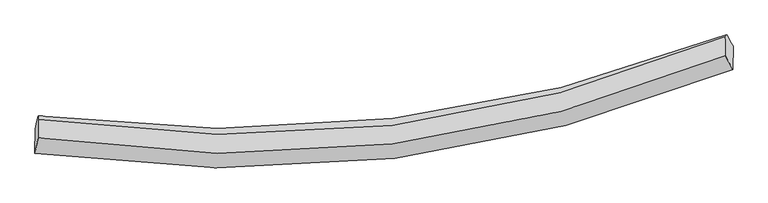
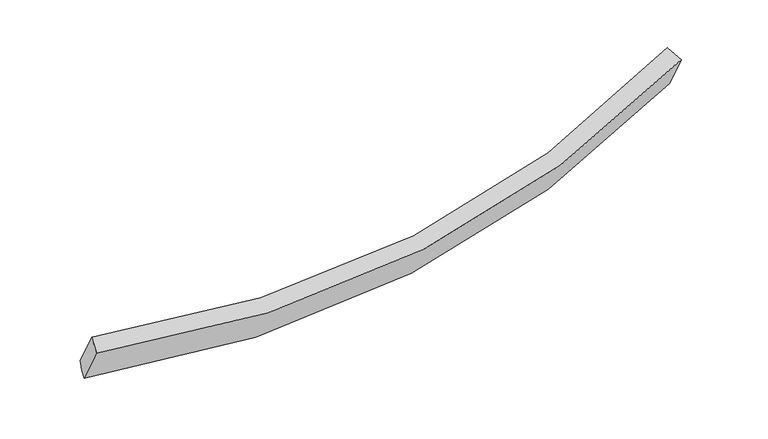
"""IFC4 building model written with IfcOpenShell, lengths in millimetres: proxy geometry."""

import ifcopenshell
import ifcopenshell.guid

model = None  # the IFC model being written
_history = None  # IfcOwnerHistory: only IFC2X3 demands one
_inside = {}  # id of a spatial element -> (the spatial element, [elements in it])
_under = {}  # id of a project, library or spatial element -> (it, [spatial elements below it])
_declared = {}  # id of a project -> (the project, [libraries it declares])
_typed = {}  # id of a type object -> (the type object, [elements of that type])
_made_of = {}  # id of a material, layer set ... -> (it, [elements and type objects made of it])


def new_model(schema):
    """Start an empty IFC model of exactly this schema.

    Asked for "IFC4X3", IfcOpenShell would pick the latest addendum, in which some entities
    have other attributes; the version numbers below select the first issue.
    IFC2X3 requires an IfcOwnerHistory on every rooted entity: one is made here for all.
    """
    global model, _history
    if schema == "IFC4X3":
        model = ifcopenshell.file(schema_version=(4, 3, 0, 0))
    else:
        model = ifcopenshell.file(schema=schema)
    _inside.clear()
    _under.clear()
    _declared.clear()
    _typed.clear()
    _made_of.clear()
    _history = None
    if model.schema == "IFC2X3":
        org = make("IfcOrganization", Name="unknown")
        user = make(
            "IfcPersonAndOrganization",
            ThePerson=make("IfcPerson", FamilyName="unknown"),
            TheOrganization=org,
        )
        app = make(
            "IfcApplication",
            ApplicationDeveloper=org,
            Version="unknown",
            ApplicationFullName="unknown",
            ApplicationIdentifier="unknown",
        )
        _history = make(
            "IfcOwnerHistory",
            OwningUser=user,
            OwningApplication=app,
            ChangeAction="ADDED",
            CreationDate=0,
        )
    return model


def make(cls, **values):
    """One entity of the class cls with the attributes given. An attribute that is None is left unset."""
    return model.create_entity(
        cls, **{name: value for name, value in values.items() if value is not None}
    )


def rooted(cls, **values):
    """An entity with a GlobalId (a new one), such as an element, a storey or a relation."""
    return make(cls, GlobalId=ifcopenshell.guid.new(), OwnerHistory=_history, **values)


def si_unit(unit_type, name, prefix=None):
    """IfcSIUnit, for example si_unit("LENGTHUNIT", "METRE", prefix="MILLI")."""
    return make("IfcSIUnit", UnitType=unit_type, Prefix=prefix, Name=name)


def assignment(units):
    """IfcUnitAssignment: the units of a project."""
    return None if units is None else make("IfcUnitAssignment", Units=units)


def point(xyz):
    """IfcCartesianPoint."""
    return None if xyz is None else make("IfcCartesianPoint", Coordinates=xyz)


def direction(xyz):
    """IfcDirection."""
    return None if xyz is None else make("IfcDirection", DirectionRatios=xyz)


def frame(location, z_axis=None, x_axis=None):
    """IfcAxis2Placement3D, a coordinate frame: its origin and axes. An axis left out is left unset."""
    return make(
        "IfcAxis2Placement3D",
        Location=point(location),
        Axis=direction(z_axis),
        RefDirection=direction(x_axis),
    )


def origin():
    """The frame at (0, 0, 0) with its axes left unset."""
    return frame((0.0, 0.0, 0.0))


def place(relative_to, where):
    """IfcLocalPlacement: puts the frame where relative to a parent placement (None: the world)."""
    return make(
        "IfcLocalPlacement", PlacementRelTo=relative_to, RelativePlacement=where
    )


def context(
    kind, dimensions, precision=None, world=None, true_north=None, identifier=None
):
    """IfcGeometricRepresentationContext, for example the 3D "Model" context."""
    return make(
        "IfcGeometricRepresentationContext",
        ContextIdentifier=identifier,
        ContextType=kind,
        CoordinateSpaceDimension=dimensions,
        Precision=precision,
        WorldCoordinateSystem=world,
        TrueNorth=true_north,
    )


def project(units=None, contexts=None):
    """IfcProject with its units and contexts."""
    return rooted(
        "IfcProject",
        Name="project",
        RepresentationContexts=contexts,
        UnitsInContext=assignment(units),
    )


def spatial(cls, under=None, at=None, **own):
    """A site, building, storey or space (cls), placed at a placement, below another one or the project."""
    s = rooted(cls, ObjectPlacement=at, **own)
    if under is not None:
        _under.setdefault(under.id(), (under, []))[1].append(s)
    return s


def shape(context_of_items, identifier, shape_type, items):
    """IfcShapeRepresentation: the items that make up one representation, for example the "Body"."""
    return make(
        "IfcShapeRepresentation",
        ContextOfItems=context_of_items,
        RepresentationIdentifier=identifier,
        RepresentationType=shape_type,
        Items=items,
    )


def source(mapping_origin, context_of_items, identifier, shape_type, items):
    """IfcRepresentationMap: a shape defined once, which mapped items show again and again."""
    return make(
        "IfcRepresentationMap",
        MappingOrigin=mapping_origin,
        MappedRepresentation=shape(context_of_items, identifier, shape_type, items),
    )


def transform(
    local_origin,
    x_axis=None,
    y_axis=None,
    z_axis=None,
    scale=None,
    scale2=None,
    scale3=None,
    uniform=True,
):
    """IfcCartesianTransformationOperator3D, or its non-uniform kind. x_axis, y_axis, z_axis: its Axis1, 2, 3."""
    if uniform:
        return make(
            "IfcCartesianTransformationOperator3D",
            Axis1=direction(x_axis),
            Axis2=direction(y_axis),
            LocalOrigin=point(local_origin),
            Scale=scale,
            Axis3=direction(z_axis),
        )
    return make(
        "IfcCartesianTransformationOperator3DnonUniform",
        Axis1=direction(x_axis),
        Axis2=direction(y_axis),
        LocalOrigin=point(local_origin),
        Scale=scale,
        Axis3=direction(z_axis),
        Scale2=scale2,
        Scale3=scale3,
    )


def mapped(mapping_source, mapping_target):
    """IfcMappedItem: shows the shape of a source again, moved by a transform."""
    return make(
        "IfcMappedItem", MappingSource=mapping_source, MappingTarget=mapping_target
    )


def made_of(thing, what):
    """Note that an element or type object is made of a material, layer set ...; save() writes the relation."""
    if what is not None:
        _made_of.setdefault(what.id(), (what, []))[1].append(thing)
    return thing


def element(
    cls,
    number,
    at=None,
    inside=None,
    cuts=None,
    type_object=None,
    material=None,
    context=None,
    identifier="Body",
    shape_type=None,
    held_by="IfcProductDefinitionShape",
    body=None,
    shapes=None,
    **own,
):
    """One element of the class cls, such as IfcWall. Its Tag is "e" and its number.

    at: its placement. inside: the storey or other place that contains it. cuts: it is an
    opening in that element (IfcRelVoidsElement). A single representation is given by context,
    identifier, shape_type and body (its items); several are given by shapes. held_by: the class
    of the entity that holds the representations. save() writes the other relations.
    """
    e = rooted(cls, Tag="e%d" % number, ObjectPlacement=at, **own)
    if body is not None:
        shapes = [shape(context, identifier, shape_type, body)]
    if shapes is not None:
        e.Representation = make(held_by, Representations=shapes)
    if inside is not None:
        _inside.setdefault(inside.id(), (inside, []))[1].append(e)
    if cuts is not None:
        rooted(
            "IfcRelVoidsElement", RelatingBuildingElement=cuts, RelatedOpeningElement=e
        )
    if type_object is not None:
        _typed.setdefault(type_object.id(), (type_object, []))[1].append(e)
    return made_of(e, material)


def aggregate(whole, parts):
    """IfcRelAggregates: a whole, such as a stair, and the parts it consists of."""
    return rooted("IfcRelAggregates", RelatingObject=whole, RelatedObjects=parts)


def save(model, path):
    """Write the relations noted so far, then the file.

    IfcRelAggregates (storeys below a building ...), IfcRelContainedInSpatialStructure (elements
    in a storey), IfcRelDefinesByType, IfcRelAssociatesMaterial and IfcRelDeclares: one each for
    every whole, place, type object, material and project.
    """
    for whole, parts in _under.values():
        aggregate(whole, parts)
    for where, things in _inside.values():
        rooted(
            "IfcRelContainedInSpatialStructure",
            RelatedElements=things,
            RelatingStructure=where,
        )
    for kind, things in _typed.values():
        rooted("IfcRelDefinesByType", RelatedObjects=things, RelatingType=kind)
    for what, things in _made_of.values():
        rooted("IfcRelAssociatesMaterial", RelatedObjects=things, RelatingMaterial=what)
    for by, libraries in _declared.values():
        rooted("IfcRelDeclares", RelatingContext=by, RelatedDefinitions=libraries)
    model.write(path)


def plane_surface(at):
    """IfcPlane: the flat surface through the origin of the frame at, square to its z axis."""
    return make("IfcPlane", Position=at)


def spline_curve(degree, points, multiplicities, knots, weights=None):
    """IfcBSplineCurveWithKnots; with weights, IfcRationalBSplineCurveWithKnots."""
    own = dict(
        Degree=degree,
        ControlPointsList=[point(p) for p in points],
        CurveForm="UNSPECIFIED",
        ClosedCurve=False,
        SelfIntersect=False,
        KnotMultiplicities=multiplicities,
        Knots=knots,
        KnotSpec="UNSPECIFIED",
    )
    if weights is None:
        return make("IfcBSplineCurveWithKnots", **own)
    return make("IfcRationalBSplineCurveWithKnots", WeightsData=weights, **own)


def spline_surface(u_degree, v_degree, points, u_multiplicities, v_multiplicities, u_knots, v_knots, weights=None):
    """IfcBSplineSurfaceWithKnots; with weights, IfcRationalBSplineSurfaceWithKnots. points: one row for each step in u."""
    own = dict(
        UDegree=u_degree,
        VDegree=v_degree,
        ControlPointsList=[[point(p) for p in row] for row in points],
        SurfaceForm="UNSPECIFIED",
        UClosed=False,
        VClosed=False,
        SelfIntersect=False,
        UMultiplicities=u_multiplicities,
        VMultiplicities=v_multiplicities,
        UKnots=u_knots,
        VKnots=v_knots,
        KnotSpec="UNSPECIFIED",
    )
    if weights is None:
        return make("IfcBSplineSurfaceWithKnots", **own)
    return make("IfcRationalBSplineSurfaceWithKnots", WeightsData=weights, **own)


def advanced_brep(points, edges, surfaces, faces):
    """IfcAdvancedBrep: a solid bounded by faces that lie on surfaces and meet in shared edges.

    An edge is (start, end): straight between two places in points (the first is 0);
    or (start, end, curve); or (start, end, curve, False) where it runs against its curve.
    A face is (place in surfaces, loops), or (place, loops, False) where it looks against
    its surface's normal. A loop lists edges by number (the first is 1), with a minus sign
    where the edge is run from its end to its start. The first loop is the outer one.
    """
    corners = [point(p) for p in points]
    vertices = [make("IfcVertexPoint", VertexGeometry=c) for c in corners]
    made = []
    for start, end, *more in edges:
        made.append(
            make(
                "IfcEdgeCurve",
                EdgeStart=vertices[start],
                EdgeEnd=vertices[end],
                EdgeGeometry=more[0] if more else make("IfcPolyline", Points=[corners[start], corners[end]]),
                SameSense=more[1] if len(more) > 1 else True,
            )
        )
    hull = []
    for where, loops, *sense in faces:
        bounds = []
        for j, loop in enumerate(loops):
            ring = [make("IfcOrientedEdge", EdgeElement=made[abs(k) - 1], Orientation=k > 0) for k in loop]
            bounds.append(
                make(
                    "IfcFaceOuterBound" if j == 0 else "IfcFaceBound",
                    Bound=make("IfcEdgeLoop", EdgeList=ring),
                    Orientation=True,
                )
            )
        hull.append(make("IfcAdvancedFace", Bounds=bounds, FaceSurface=surfaces[where], SameSense=sense[0] if sense else True))
    return make("IfcAdvancedBrep", Outer=make("IfcClosedShell", CfsFaces=hull))


def generic_models_c654ea2b(model_context):
    return source(origin(), model_context, "Body", "AdvancedBrep", [
        advanced_brep(
        [(-3939.6041862, -2188.8098774, 2003.0221801), (-3937.1985556, -1913.5784236, 1509.8323587), (3874.2616619, -986.1764566, 2091.1422709), (3871.9794357, -1247.2890436, 2559.0323625), (-3904.8163379, -2018.5914852, 2098.1846109), (3784.9839962, -1090.1134153, 2646.3220751), (-3903.0014271, -1810.9450874, 1726.1010847), (3786.7984398, -882.5204553, 2274.3343047), (-3902.6213621, -1767.4613369, 1648.1821447), (3804.0780319, -859.3749118, 2161.5633059), (-3919.8273259, -1828.5802721, 1557.3514934), (3855.4025107, -952.1034183, 2110.0652156)],
        [
            (0, 1),
            (1, 2, spline_curve(3, [(-3937.1985556, -1913.5784236, 1509.8323587), (-2565.041587042, -2117.668501702, 1415.15162005), (-1222.242941967, -2140.044425494, 1417.594978243), (1380.508349149, -1824.295184701, 1614.900724235), (2641.529776697, -1492.785271541, 1806.227336697), (3874.2616619, -986.1764566, 2091.1422709)], [4, 2, 4], [0.0, 13.21555341391278, 26.188322488713112])),
            (2, 3),
            (3, 0, spline_curve(3, [(3871.9794357, -1247.2890436, 2559.0323625), (2639.234164761, -1755.429339335, 2276.861703002), (1378.195888346, -2088.866949824, 2088.98934983), (-1224.596406699, -2409.307510839, 1900.09002393), (-2567.41933767, -2389.710178607, 1902.625649842), (-3939.6041862, -2188.8098774, 2003.0221801)], [4, 2, 4], [0.0, 12.972769074800333, 26.188322488713112])),
            (4, 0),
            (3, 5),
            (5, 4, spline_curve(3, [(3784.9839962, -1090.1134153, 2646.3220751), (2573.17069625, -1596.598801444, 2365.177061003), (1332.656742323, -1928.134447947, 2178.466236765), (-1229.525722322, -2244.236754216, 1992.186016361), (-2552.278546906, -2222.193797994, 1996.184353106), (-3904.8163379, -2018.5914852, 2098.1846109)], [4, 2, 4], [0.0, 12.874484338369822, 25.989913624844547])),
            (6, 4),
            (5, 7),
            (7, 6, spline_curve(3, [(3786.7984398, -882.5204553, 2274.3343047), (2575.005961629, -1386.623567624, 1988.920472249), (1334.502553805, -1716.952663556, 1800.047618212), (-1227.679367164, -2032.99273868, 1613.655885113), (-2550.442581599, -2012.138519978, 1619.784332033), (-3903.0014271, -1810.9450874, 1726.1010847)], [4, 2, 4], [0.0, 12.776214138799103, 25.79153410675174])),
            (8, 6),
            (7, 9),
            (9, 8, spline_curve(3, [(3804.0780319, -859.3749118, 2161.5633059), (2582.086988973, -1333.459068791, 1885.67118262), (1335.054721704, -1646.975967209, 1704.454057508), (-1232.899016708, -1955.737687713, 1529.75017408), (-2554.766547169, -1944.916264307, 1539.840245462), (-3902.6213621, -1767.4613369, 1648.1821447)], [4, 2, 4], [0.0, 12.776000198118226, 25.7911022215072])),
            (10, 8),
            (9, 11),
            (11, 10, spline_curve(3, [(3855.4025107, -952.1034183, 2110.0652156), (2621.135876201, -1437.451637734, 1837.007566972), (1362.303437884, -1754.067263462, 1654.00359643), (-1228.511742886, -2052.600946896, 1466.363452844), (-2561.422583144, -2028.144272385, 1465.129516464), (-3919.8273259, -1828.5802721, 1557.3514934)], [4, 2, 4], [0.0, 12.833433179568518, 25.90704303807736])),
            (1, 10),
            (11, 2),
        ],
        [
            spline_surface(3, 3, [[(-3939.6041862, -2188.8098774, 2003.0221801), (-2567.419337712, -2389.710178391, 1902.625649917), (-1224.596406711, -2409.307510785, 1900.090023954), (1378.195888357, -2088.866949877, 2088.989349806), (2639.234164623, -1755.429339543, 2276.861703208), (3871.9794357, -1247.2890436, 2559.0323625)], [(-3938.802309344, -2097.066059479, 1838.625572982), (-2566.626754156, -2299.029619516, 1740.134306646), (-1223.81191848, -2319.553149075, 1739.258342063), (1378.966708598, -2000.676361449, 1930.959807914), (2639.999368587, -1667.88131693, 2119.983581022), (3872.74017775, -1160.251514621, 2403.068998642)], [(-3938.000432456, -2005.322241521, 1674.228965818), (-2565.834170568, -2208.349060602, 1577.642963329), (-1223.027430188, -2229.798787341, 1578.426660206), (1379.737528899, -1912.485772996, 1772.930266056), (2640.764572601, -1580.333294254, 1963.105458811), (3873.50091985, -1073.213985579, 2247.105634758)], [(-3937.1985556, -1913.5784236, 1509.8323587), (-2565.041587012, -2117.668501727, 1415.151620058), (-1222.242941957, -2140.04442563, 1417.594978316), (1380.50834914, -1824.295184568, 1614.900724164), (2641.529776565, -1492.785271641, 1806.227336625), (3874.2616619, -986.1764566, 2091.1422709)]], [4, 4], [4, 2, 4], [0.0, 1.7973237653410703], [0.0, 13.21555341391278, 26.188322488713112]),
            spline_surface(3, 3, [[(-3904.8163379, -2018.5914852, 2098.1846109), (-2552.278546753, -2222.193797943, 1996.184353004), (-1229.525722384, -2244.236754409, 1992.186016492), (1332.656742384, -1928.134447758, 2178.466236638), (2573.170696097, -1596.5988013, 2365.177061182), (3784.9839962, -1090.1134153, 2646.3220751)], [(-3916.412287349, -2075.330949265, 2066.463800629), (-2557.325477088, -2278.032591425, 1964.998118637), (-1227.882617141, -2299.260339852, 1961.4873523), (1347.836457727, -1981.711948449, 2148.640607681), (2595.191852297, -1649.542314038, 2335.738608515), (3813.982476059, -1142.50529139, 2617.225504225)], [(-3928.008236751, -2132.070413335, 2034.742990371), (-2562.372407377, -2333.87138491, 1933.811884284), (-1226.239511954, -2354.283925342, 1930.788688146), (1363.016173014, -2035.289449186, 2118.814978763), (2617.213008422, -1702.485826806, 2306.300155874), (3842.980955841, -1194.89716751, 2588.128933375)], [(-3939.6041862, -2188.8098774, 2003.0221801), (-2567.419337712, -2389.710178391, 1902.625649917), (-1224.596406711, -2409.307510785, 1900.090023954), (1378.195888357, -2088.866949877, 2088.989349806), (2639.234164623, -1755.429339543, 2276.861703208), (3871.9794357, -1247.2890436, 2559.0323625)]], [4, 4], [4, 2, 4], [0.0, 0.6174133913436978], [0.0, 13.115429286474726, 25.989913624844547]),
            spline_surface(3, 3, [[(-3903.0014271, -1810.9450874, 1726.1010847), (-2550.442581399, -2012.138520075, 1619.784332035), (-1227.679367098, -2032.992738676, 1613.655884954), (1334.502553741, -1716.952663559, 1800.047618368), (2575.005961701, -1386.623567554, 1988.92047213), (3786.7984398, -882.5204553, 2274.3343047)], [(-3903.606397348, -1880.160553332, 1850.128926763), (-2551.054569831, -2082.15694603, 1745.251005687), (-1228.294818875, -2103.407410604, 1739.832595478), (1333.887283273, -1787.346591642, 1926.187157803), (2574.394206474, -1456.615312129, 2114.339335167), (3786.193625242, -951.718108626, 2398.330228187)], [(-3904.211367652, -1949.376019268, 1974.156768837), (-2551.666558321, -2152.175371988, 1870.717679351), (-1228.910270607, -2173.822082481, 1866.009305967), (1333.272012851, -1857.740519675, 2052.326697203), (2573.782451323, -1526.607056726, 2239.758198144), (3785.588810758, -1020.915761974, 2522.326151613)], [(-3904.8163379, -2018.5914852, 2098.1846109), (-2552.278546753, -2222.193797943, 1996.184353004), (-1229.525722384, -2244.236754409, 1992.186016492), (1332.656742384, -1928.134447758, 2178.466236638), (2573.170696097, -1596.5988013, 2365.177061182), (3784.9839962, -1090.1134153, 2646.3220751)]], [4, 4], [4, 2, 4], [0.0, 1.4219995298762576], [0.0, 13.015319967952637, 25.79153410675174]),
            spline_surface(3, 3, [[(-3902.6213621, -1767.4613369, 1648.1821447), (-2554.76654718, -1944.916264181, 1539.840245514), (-1232.899016665, -1955.73768762, 1529.750174013), (1335.054721663, -1646.9759673, 1704.454057574), (2582.086989107, -1333.459068827, 1885.671182812), (3804.0780319, -859.3749118, 2161.5633059)], [(-3902.74805043, -1781.955920396, 1674.155124703), (-2553.325225249, -1967.323682808, 1566.488274358), (-1231.159133466, -1981.489371286, 1557.71874432), (1334.870665699, -1670.301532701, 1736.318577832), (2579.726646641, -1351.180568416, 1920.087612583), (3798.31816787, -867.09009298, 2199.153638832)], [(-3902.87473877, -1796.450503904, 1700.128104697), (-2551.88390333, -1989.731101448, 1593.136303191), (-1229.419250298, -2007.24105501, 1585.687314647), (1334.686609704, -1693.627098159, 1768.18309811), (2577.366304167, -1368.902067965, 1954.504042359), (3792.55830383, -874.80527412, 2236.743971768)], [(-3903.0014271, -1810.9450874, 1726.1010847), (-2550.442581399, -2012.138520075, 1619.784332035), (-1227.679367098, -2032.992738676, 1613.655884954), (1334.502553741, -1716.952663559, 1800.047618368), (2575.005961701, -1386.623567554, 1988.92047213), (3786.7984398, -882.5204553, 2274.3343047)]], [4, 4], [4, 2, 4], [0.0, 0.38077629417791703], [0.0, 13.015102023388973, 25.7911022215072]),
            spline_surface(3, 3, [[(-3919.8273259, -1828.5802721, 1557.3514934), (-2561.422583265, -2028.144272489, 1465.129516331), (-1228.51174279, -2052.600946988, 1466.363452969), (1362.30343779, -1754.067263371, 1654.003596307), (2621.135876244, -1437.451637569, 1837.007567079), (3855.4025107, -952.1034183, 2110.0652156)], [(-3914.092004659, -1808.207293699, 1587.628377146), (-2559.203904596, -2000.401603052, 1490.033092704), (-1229.974167411, -2020.313193879, 1487.492359982), (1353.220532418, -1718.370164694, 1670.820416728), (2608.119580557, -1402.78744797, 1853.228772306), (3838.294351125, -921.193916115, 2127.231245682)], [(-3908.356683341, -1787.834315301, 1617.905260954), (-2556.985225849, -1972.658933618, 1514.936669141), (-1231.436592044, -1988.025440729, 1508.621267), (1344.137627034, -1682.673065977, 1687.637237153), (2595.103284794, -1368.123258426, 1869.449977585), (3821.186191475, -890.284413985, 2144.397275818)], [(-3902.6213621, -1767.4613369, 1648.1821447), (-2554.76654718, -1944.916264181, 1539.840245514), (-1232.899016665, -1955.73768762, 1529.750174013), (1335.054721663, -1646.9759673, 1704.454057574), (2582.086989107, -1333.459068827, 1885.671182812), (3804.0780319, -859.3749118, 2161.5633059)]], [4, 4], [4, 2, 4], [0.0, 0.3864807376495332], [0.0, 13.073609858508844, 25.90704303807736]),
            spline_surface(3, 3, [[(-3937.1985556, -1913.5784236, 1509.8323587), (-2565.041587012, -2117.668501727, 1415.151620058), (-1222.242941957, -2140.04442563, 1417.594978316), (1380.50834914, -1824.295184568, 1614.900724164), (2641.529776565, -1492.785271641, 1806.227336625), (3874.2616619, -986.1764566, 2091.1422709)], [(-3931.408145671, -1885.245706428, 1525.672070278), (-2563.835252401, -2087.827091976, 1431.810918827), (-1224.332542233, -2110.896599413, 1433.851136554), (1374.440045358, -1800.885877499, 1627.935014899), (2634.731809779, -1474.340726951, 1816.487413442), (3867.975278154, -974.818777168, 2097.449919132)], [(-3925.617735829, -1856.912989272, 1541.511781822), (-2562.628917876, -2057.98568224, 1448.470217562), (-1226.422142515, -2081.748773205, 1450.107294731), (1368.371741571, -1777.47657044, 1640.969305572), (2627.93384303, -1455.896182258, 1826.747490263), (3861.688894446, -963.461097732, 2103.757567368)], [(-3919.8273259, -1828.5802721, 1557.3514934), (-2561.422583265, -2028.144272489, 1465.129516331), (-1228.51174279, -2052.600946988, 1466.363452969), (1362.30343779, -1754.067263371, 1654.003596307), (2621.135876244, -1437.451637569, 1837.007567079), (3855.4025107, -952.1034183, 2110.0652156)]], [4, 4], [4, 2, 4], [0.0, 0.29935138739836614], [0.0, 13.17375641339115, 26.105496344817464]),
            plane_surface(frame((3824.4203131, -1013.0948565, 2346.4788638), z_axis=(0.9001465887425437, 0.37848277386818907, 0.21560822957439074), x_axis=(-0.14843565066764589, -0.19882551610363786, 0.9687286884143541))),
            plane_surface(frame((-3920.8135535, -1943.404279, 1763.3145575), z_axis=(-0.9844497571150566, 0.15539606756371135, 0.08191909363415113), x_axis=(-0.004259292299663193, -0.487311404604699, 0.8732178727965326))),
        ],
        [
            (0, [[1, 2, 3, 4]]),
            (1, [[5, -4, 6, 7]]),
            (2, [[8, -7, 9, 10]]),
            (3, [[11, -10, 12, 13]]),
            (4, [[14, -13, 15, 16]]),
            (5, [[17, -16, 18, -2]]),
            (6, [[-12, -9, -6, -3, -18, -15]]),
            (7, [[-1, -5, -8, -11, -14, -17]]),
        ],
    ),
    ])


if __name__ == "__main__":
    model = new_model("IFC4")
    model_context = context("Model", 3, world=origin())
    ifc_project = project(units=[si_unit("LENGTHUNIT", "METRE", prefix="MILLI")], contexts=[model_context])
    site = spatial("IfcSite", under=ifc_project)
    building = spatial("IfcBuilding", under=site)
    placement = place(None, origin())
    generic_models_shape = generic_models_c654ea2b(model_context)
    element("IfcBuildingElementProxy", 1, Name="Generic Models", at=placement, inside=building, context=model_context, shape_type="MappedRepresentation", body=[
        mapped(generic_models_shape, transform((0.0, 0.0, 0.0), x_axis=(1.0, 0.0, 0.0), y_axis=(0.0, 1.0, 0.0), z_axis=(0.0, 0.0, 1.0))),
    ])
    save(model, "model.ifc")
